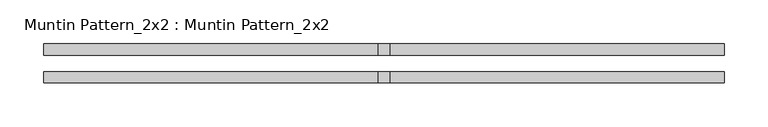
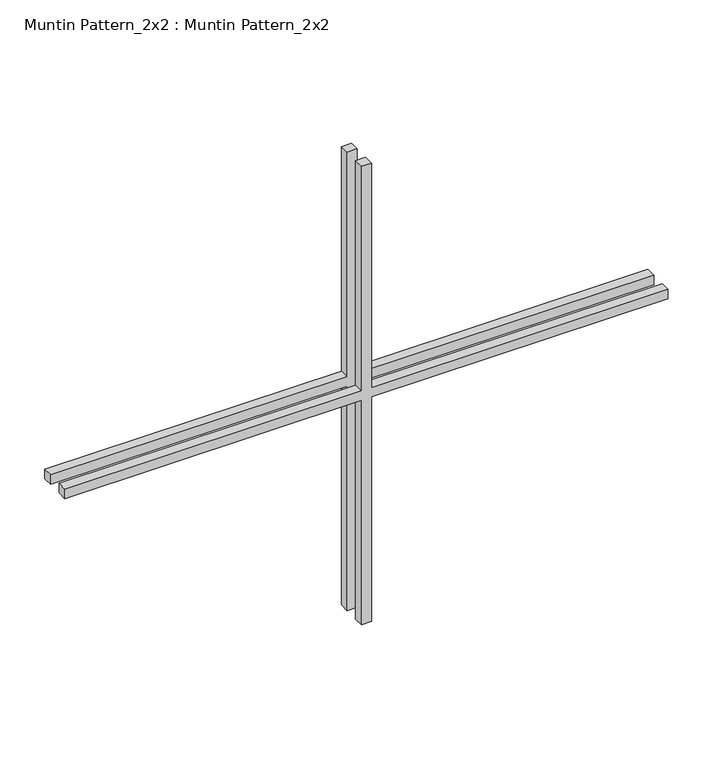
"""IFC4 building model written with IfcOpenShell, lengths in millimetres: proxy geometry, Muntin Pattern_2x2 : Muntin Pattern_2x2."""

from ifc_helpers import new_model, si_unit, frame, origin, place, context, project, spatial, polyline, outline, extrude, source, transform, mapped, element, save


def muntin_pattern_2x2_muntin_pattern_2x2_d105bd58(model_context):
    return source(origin(), model_context, "Body", "SweptSolid", [
        extrude(outline(polyline([(317.4955927, -6.35), (317.4955927, -387.35), (304.7955927, -387.35), (304.7955927, -6.35), (0.0, -6.35), (0.0, 6.35), (304.7955927, 6.35), (304.7955927, 387.35), (317.4955927, 387.35), (317.4955927, 6.35), (622.2911855, 6.35), (622.2911855, -6.35), (317.4955927, -6.35)])), frame((0.0, -22.225, 0.0), z_axis=(0.0, 1.0, 0.0), x_axis=(0.0, 0.0, 1.0)), (0.0, 0.0, 1.0), 12.7),
        extrude(outline(polyline([(317.4955927, -6.35), (317.4955927, -387.35), (304.7955927, -387.35), (304.7955927, -6.35), (0.0, -6.35), (0.0, 6.35), (304.7955927, 6.35), (304.7955927, 387.35), (317.4955927, 387.35), (317.4955927, 6.35), (622.2911855, 6.35), (622.2911855, -6.35), (317.4955927, -6.35)])), frame((0.0, 9.525, 0.0), z_axis=(0.0, 1.0, 0.0), x_axis=(0.0, 0.0, 1.0)), (0.0, 0.0, 1.0), 12.7),
    ])


if __name__ == "__main__":
    model = new_model("IFC4")
    model_context = context("Model", 3, world=origin())
    ifc_project = project(units=[si_unit("LENGTHUNIT", "METRE", prefix="MILLI")], contexts=[model_context])
    site = spatial("IfcSite", under=ifc_project)
    building = spatial("IfcBuilding", under=site)
    placement = place(None, origin())
    muntin_pattern_2x2_muntin_pattern_2x2_shape = muntin_pattern_2x2_muntin_pattern_2x2_d105bd58(model_context)
    element("IfcBuildingElementProxy", 1, Name="Muntin Pattern_2x2 : Muntin Pattern_2x2", ObjectType="Muntin Pattern_2x2 : Muntin Pattern_2x2", at=placement, inside=building, context=model_context, shape_type="MappedRepresentation", body=[
        mapped(muntin_pattern_2x2_muntin_pattern_2x2_shape, transform((0.0, 0.0, 0.0), x_axis=(1.0, 0.0, 0.0), y_axis=(0.0, 1.0, 0.0), z_axis=(0.0, 0.0, 1.0))),
    ])
    save(model, "model.ifc")
